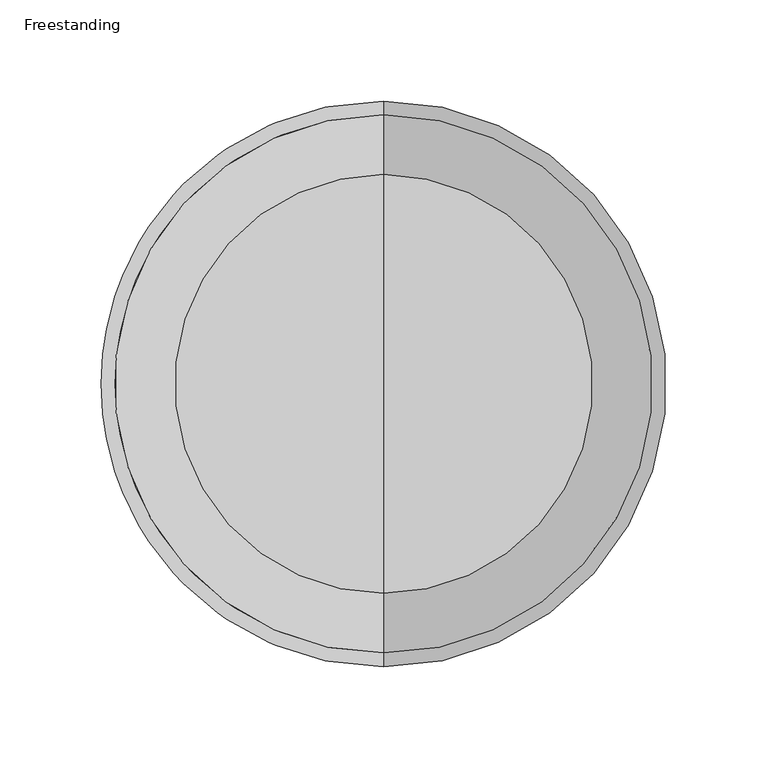
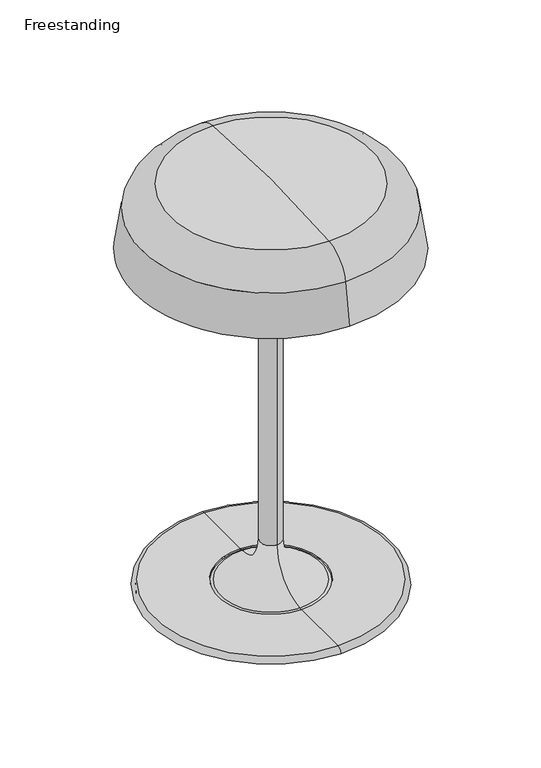
"""IFC4 building model written with IfcOpenShell, lengths in millimetres: light fixture geometry, Freestanding."""

from ifc_helpers import new_model, si_unit, point, frame, frame_2d, origin, place, context, project, spatial, polyline, circle_curve, ellipse_curve, trimmed, segment, composite_curve, outline, extrude, source, transform, mapped, element, save
from ifc_brep_helpers import plane_surface, cylinder_surface, revolved_surface, advanced_brep


def freestanding_16f279d7(model_context):
    return source(origin(), model_context, "Body", "SolidModel", [
        advanced_brep(
        [(0.0, -138.4479531, 1349.9066471), (0.0, 138.4479531, 1349.9066471), (0.0, 0.0, 1347.3349621), (0.0, 0.0, 1349.8749621), (0.0, 138.1818432, 1352.4385137), (0.0, -138.1818432, 1352.4385137)],
        [
            (0, 1, circle_curve(frame((0.0, 0.0, 1349.9066471), z_axis=(0.0, 0.0, -1.0), x_axis=(0.0, 1.0, 0.0)), 138.4479531)),
            (1, 2, circle_curve(frame((0.0, 0.0287325, 5073.7814838), z_axis=(-1.0, 0.0, 0.0), x_axis=(0.0, 1.0, 0.0)), 3726.4465218)),
            (2, 0, circle_curve(frame((0.0, -0.0287325, 5073.7814838), z_axis=(-1.0, 0.0, 0.0), x_axis=(0.0, -1.0, 0.0)), 3726.4465218)),
            (1, 0, circle_curve(frame((0.0, 0.0, 1349.9066471), z_axis=(0.0, 0.0, -1.0), x_axis=(0.0, 1.0, 0.0)), 138.4479531)),
            (3, 4, circle_curve(frame((0.0, 0.0287325, 5073.7814838), z_axis=(1.0, 0.0, 0.0), x_axis=(0.0, 1.0, 0.0)), 3723.9065218)),
            (4, 5, circle_curve(frame((0.0, 0.0, 1352.4385137), z_axis=(0.0, 0.0, 1.0), x_axis=(0.0, 1.0, 0.0)), 138.1818432)),
            (5, 3, circle_curve(frame((0.0, -0.0287325, 5073.7814838), z_axis=(1.0, 0.0, 0.0), x_axis=(0.0, -1.0, 0.0)), 3723.9065218)),
            (5, 4, circle_curve(frame((0.0, 0.0, 1352.4385137), z_axis=(0.0, 0.0, 1.0), x_axis=(0.0, 1.0, 0.0)), 138.1818432)),
            (4, 1),
            (0, 5),
        ],
        [
            revolved_surface(trimmed(ellipse_curve(frame((0.0, 0.0287325, 5073.7814838), z_axis=(1.0, 0.0, 0.0), x_axis=(0.0, 1.0, 0.0)), 3726.4465218, 3726.4465218), [point((0.0, 0.0, 1347.3349621))], [point((0.0, 138.4479531, 1349.9066471))], True, "CARTESIAN"), (0.0, 0.0, 1349.8749621), (0.0, 0.0, 1.0)),
            revolved_surface(trimmed(ellipse_curve(frame((0.0, 0.0287325, 5073.7814838), z_axis=(-1.0, 0.0, 0.0), x_axis=(0.0, 1.0, 0.0)), 3723.9065218, 3723.9065218), [point((0.0, 138.1818432, 1352.4385137))], [point((0.0, 0.0, 1349.8749621))], True, "CARTESIAN"), (0.0, 0.0, 1349.8749621), (0.0, 0.0, 1.0)),
            revolved_surface(polyline([(0.0, 138.4479531, 1349.9066471), (0.0, 138.1818432, 1352.4385137)]), (0.0, 0.0, 1349.8749621), (0.0, 0.0, 1.0)),
        ],
        [
            (0, [[1, 2, 3]]),
            (0, [[4, -3, -2]]),
            (1, [[5, 6, 7]]),
            (1, [[-7, 8, -5]]),
            (2, [[-6, 9, -1, 10]]),
            (2, [[-8, -10, -4, -9]]),
        ],
    ),
        advanced_brep(
        [(0.0, -103.6125058, 1417.6574921), (0.0, 103.6125058, 1417.6574921), (0.0, 133.0952642, 1391.9433422), (0.0, -133.0952642, 1391.9433422), (0.0, 0.0, 1422.3335639), (0.0, -103.4981076, 1416.3926549), (0.0, 103.4981076, 1416.3926549), (0.0, 0.0, 1421.0635639), (0.0, -131.8577133, 1391.6580917), (0.0, 131.8577133, 1391.6580917), (0.0, -138.6463947, 1347.3349621), (0.0, 138.6463947, 1347.3349621), (0.0, -139.9126245, 1347.3349621), (0.0, 139.9126245, 1347.3349621)],
        [
            (0, 1, circle_curve(frame((0.0, 0.0, 1417.6574921), z_axis=(0.0, 0.0, -1.0), x_axis=(0.0, 1.0, 0.0)), 103.6125058)),
            (1, 2, circle_curve(frame((0.0, 100.6095539, 1384.4555164), z_axis=(-1.0, 0.0, 0.0), x_axis=(0.0, 1.0, 0.0)), 33.3375)),
            (2, 3, circle_curve(frame((0.0, 0.0, 1391.9433422), z_axis=(0.0, 0.0, 1.0), x_axis=(0.0, 1.0, 0.0)), 133.0952642)),
            (3, 0, circle_curve(frame((0.0, -100.6095539, 1384.4555164), z_axis=(-1.0, 0.0, 0.0), x_axis=(0.0, -1.0, 0.0)), 33.3375)),
            (1, 0, circle_curve(frame((0.0, 0.0, 1417.6574921), z_axis=(0.0, 0.0, -1.0), x_axis=(0.0, 1.0, 0.0)), 103.6125058)),
            (3, 2, circle_curve(frame((0.0, 0.0, 1391.9433422), z_axis=(0.0, 0.0, 1.0), x_axis=(0.0, 1.0, 0.0)), 133.0952642)),
            (4, 1, circle_curve(frame((0.0, 0.0, 272.0714015), z_axis=(-1.0, 0.0, 0.0), x_axis=(0.0, 1.0, 0.0)), 1150.2621624)),
            (0, 4, circle_curve(frame((0.0, 0.0, 272.0714015), z_axis=(-1.0, 0.0, 0.0), x_axis=(0.0, -1.0, 0.0)), 1150.2621624)),
            (5, 6, circle_curve(frame((0.0, 0.0, 1416.3926549), z_axis=(0.0, 0.0, -1.0), x_axis=(0.0, 1.0, 0.0)), 103.4981076)),
            (6, 7, circle_curve(frame((0.0, 0.0, 272.0714015), z_axis=(1.0, 0.0, 0.0), x_axis=(0.0, 1.0, 0.0)), 1148.9921624)),
            (7, 5, circle_curve(frame((0.0, 0.0, 272.0714015), z_axis=(1.0, 0.0, 0.0), x_axis=(0.0, -1.0, 0.0)), 1148.9921624)),
            (6, 5, circle_curve(frame((0.0, 0.0, 1416.3926549), z_axis=(0.0, 0.0, -1.0), x_axis=(0.0, 1.0, 0.0)), 103.4981076)),
            (8, 9, circle_curve(frame((0.0, 0.0, 1391.6580917), z_axis=(0.0, 0.0, -1.0), x_axis=(0.0, 1.0, 0.0)), 131.8577133)),
            (9, 6, circle_curve(frame((0.0, 100.6095539, 1384.4555164), z_axis=(1.0, 0.0, 0.0), x_axis=(0.0, 1.0, 0.0)), 32.0675)),
            (5, 8, circle_curve(frame((0.0, -100.6095539, 1384.4555164), z_axis=(1.0, 0.0, 0.0), x_axis=(0.0, -1.0, 0.0)), 32.0675)),
            (9, 8, circle_curve(frame((0.0, 0.0, 1391.6580917), z_axis=(0.0, 0.0, -1.0), x_axis=(0.0, 1.0, 0.0)), 131.8577133)),
            (10, 11, circle_curve(frame((0.0, 0.0, 1347.3349621), z_axis=(0.0, 0.0, -1.0), x_axis=(0.0, 1.0, 0.0)), 138.6463947)),
            (11, 9, circle_curve(frame((0.0, -161.4398073, 1324.0541915), z_axis=(1.0, 0.0, 0.0), x_axis=(0.0, 1.0, 0.0)), 300.9879116)),
            (8, 10, circle_curve(frame((0.0, 161.4398073, 1324.0541915), z_axis=(1.0, 0.0, 0.0), x_axis=(0.0, -1.0, 0.0)), 300.9879116)),
            (11, 10, circle_curve(frame((0.0, 0.0, 1347.3349621), z_axis=(0.0, 0.0, -1.0), x_axis=(0.0, 1.0, 0.0)), 138.6463947)),
            (12, 13, circle_curve(frame((0.0, 0.0, 1347.3349621), z_axis=(0.0, 0.0, -1.0), x_axis=(0.0, 1.0, 0.0)), 139.9126245)),
            (13, 11),
            (10, 12),
            (13, 12, circle_curve(frame((0.0, 0.0, 1347.3349621), z_axis=(0.0, 0.0, -1.0), x_axis=(0.0, 1.0, 0.0)), 139.9126245)),
            (2, 13, circle_curve(frame((0.0, -161.4398073, 1324.0541915), z_axis=(-1.0, 0.0, 0.0), x_axis=(0.0, 1.0, 0.0)), 302.2579116)),
            (12, 3, circle_curve(frame((0.0, 161.4398073, 1324.0541915), z_axis=(-1.0, 0.0, 0.0), x_axis=(0.0, -1.0, 0.0)), 302.2579116)),
        ],
        [
            revolved_surface(trimmed(ellipse_curve(frame((0.0, 100.6095539, 1384.4555164), z_axis=(1.0, 0.0, 0.0), x_axis=(0.0, 1.0, 0.0)), 33.3375, 33.3375), [point((0.0, 133.0952642, 1391.9433422))], [point((0.0, 103.6125058, 1417.6574921))], True, "CARTESIAN"), (0.0, 0.0, 1421.0635639), (0.0, 0.0, 1.0)),
            revolved_surface(trimmed(ellipse_curve(frame((0.0, 0.0, 272.0714015), z_axis=(1.0, 0.0, 0.0), x_axis=(0.0, 1.0, 0.0)), 1150.2621624, 1150.2621624), [point((0.0, 103.6125058, 1417.6574921))], [point((0.0, 0.0, 1422.3335639))], True, "CARTESIAN"), (0.0, 0.0, 1421.0635639), (0.0, 0.0, 1.0)),
            revolved_surface(trimmed(ellipse_curve(frame((0.0, 0.0, 272.0714015), z_axis=(-1.0, 0.0, 0.0), x_axis=(0.0, 1.0, 0.0)), 1148.9921624, 1148.9921624), [point((0.0, 0.0, 1421.0635639))], [point((0.0, 103.4981076, 1416.3926549))], True, "CARTESIAN"), (0.0, 0.0, 1421.0635639), (0.0, 0.0, 1.0)),
            revolved_surface(trimmed(ellipse_curve(frame((0.0, 100.6095539, 1384.4555164), z_axis=(-1.0, 0.0, 0.0), x_axis=(0.0, 1.0, 0.0)), 32.0675, 32.0675), [point((0.0, 103.4981076, 1416.3926549))], [point((0.0, 131.8577133, 1391.6580917))], True, "CARTESIAN"), (0.0, 0.0, 1421.0635639), (0.0, 0.0, 1.0)),
            revolved_surface(trimmed(ellipse_curve(frame((0.0, -161.4398073, 1324.0541915), z_axis=(-1.0, 0.0, 0.0), x_axis=(0.0, 1.0, 0.0)), 300.9879116, 300.9879116), [point((0.0, 131.8577133, 1391.6580917))], [point((0.0, 138.6463947, 1347.3349621))], True, "CARTESIAN"), (0.0, 0.0, 1421.0635639), (0.0, 0.0, 1.0)),
            plane_surface(frame((0.0, 0.0, 1347.3349621), z_axis=(0.0, 0.0, -1.0), x_axis=(0.0, 1.0, 0.0))),
            revolved_surface(trimmed(ellipse_curve(frame((0.0, -161.4398073, 1324.0541915), z_axis=(1.0, 0.0, 0.0), x_axis=(0.0, 1.0, 0.0)), 302.2579116, 302.2579116), [point((0.0, 139.91259, 1347.4331939))], [point((0.0, 133.0952642, 1391.9433422))], True, "CARTESIAN"), (0.0, 0.0, 1421.0635639), (0.0, 0.0, 1.0)),
        ],
        [
            (0, [[1, 2, 3, 4]]),
            (0, [[5, -4, 6, -2]]),
            (1, [[7, -1, 8]]),
            (1, [[-8, -5, -7]]),
            (2, [[9, 10, 11]]),
            (2, [[12, -11, -10]]),
            (3, [[13, 14, -9, 15]]),
            (3, [[16, -15, -12, -14]]),
            (4, [[17, 18, -13, 19]]),
            (4, [[20, -19, -16, -18]]),
            (5, [[21, 22, -17, 23]]),
            (5, [[24, -23, -20, -22]]),
            (6, [[-3, 25, -21, 26]]),
            (6, [[-6, -26, -24, -25]]),
        ],
    ),
        advanced_brep(
        [(0.0, -54.6099979, 981.1220829), (0.0, 54.6099979, 981.1220829), (0.0, 54.6099979, 987.9329995), (0.0, -54.6099979, 987.9329995), (0.0, -121.1537842, 981.1220829), (0.0, 121.1537842, 981.1220829), (0.0, 119.38, 987.9329995), (0.0, -119.38, 987.9329995), (0.0, -121.1537842, 982.6460829), (0.0, 121.1537842, 982.6460829), (0.0, -124.4557842, 982.6460829), (0.0, 124.4557842, 982.6460829)],
        [
            (0, 1, circle_curve(frame((0.0, 0.0, 981.1220829), z_axis=(0.0, 0.0, -1.0), x_axis=(0.0, 1.0, 0.0)), 54.6099979)),
            (1, 2),
            (2, 3, circle_curve(frame((0.0, 0.0, 987.9329995), z_axis=(0.0, 0.0, 1.0), x_axis=(0.0, 1.0, 0.0)), 54.6099979)),
            (3, 0),
            (1, 0, circle_curve(frame((0.0, 0.0, 981.1220829), z_axis=(0.0, 0.0, -1.0), x_axis=(0.0, 1.0, 0.0)), 54.6099979)),
            (3, 2, circle_curve(frame((0.0, 0.0, 987.9329995), z_axis=(0.0, 0.0, 1.0), x_axis=(0.0, 1.0, 0.0)), 54.6099979)),
            (4, 5, circle_curve(frame((0.0, 0.0, 981.1220829), z_axis=(0.0, 0.0, -1.0), x_axis=(0.0, 1.0, 0.0)), 121.1537842)),
            (5, 1),
            (0, 4),
            (5, 4, circle_curve(frame((0.0, 0.0, 981.1220829), z_axis=(0.0, 0.0, -1.0), x_axis=(0.0, 1.0, 0.0)), 121.1537842)),
            (2, 6),
            (6, 7, circle_curve(frame((0.0, 0.0, 987.9329995), z_axis=(0.0, 0.0, 1.0), x_axis=(0.0, 1.0, 0.0)), 119.38)),
            (7, 3),
            (7, 6, circle_curve(frame((0.0, 0.0, 987.9329995), z_axis=(0.0, 0.0, 1.0), x_axis=(0.0, 1.0, 0.0)), 119.38)),
            (8, 9, circle_curve(frame((0.0, 0.0, 982.6460829), z_axis=(0.0, 0.0, -1.0), x_axis=(0.0, 1.0, 0.0)), 121.1537842)),
            (9, 5),
            (4, 8),
            (9, 8, circle_curve(frame((0.0, 0.0, 982.6460829), z_axis=(0.0, 0.0, -1.0), x_axis=(0.0, 1.0, 0.0)), 121.1537842)),
            (10, 11, circle_curve(frame((0.0, 0.0, 982.6460829), z_axis=(0.0, 0.0, -1.0), x_axis=(0.0, 1.0, 0.0)), 124.4557842)),
            (11, 9),
            (8, 10),
            (11, 10, circle_curve(frame((0.0, 0.0, 982.6460829), z_axis=(0.0, 0.0, -1.0), x_axis=(0.0, 1.0, 0.0)), 124.4557842)),
            (6, 11, circle_curve(frame((0.0, 119.38, 982.8529995), z_axis=(-1.0, 0.0, 0.0), x_axis=(0.0, 1.0, 0.0)), 5.08)),
            (10, 7, circle_curve(frame((0.0, -119.38, 982.8529995), z_axis=(-1.0, 0.0, 0.0), x_axis=(0.0, -1.0, 0.0)), 5.08)),
        ],
        [
            revolved_surface(polyline([(0.0, 54.6099979, 987.9329995), (0.0, 54.6099979, 981.1220829)]), (0.0, 0.0, 981.0750001), (0.0, 0.0, 1.0)),
            plane_surface(frame((0.0, 0.0, 981.1220829), z_axis=(0.0, 0.0, -1.0), x_axis=(0.0, 1.0, 0.0))),
            plane_surface(frame((0.0, 0.0, 987.9329995), z_axis=(0.0, 0.0, 1.0), x_axis=(0.0, 1.0, 0.0))),
            cylinder_surface(frame((0.0, 0.0, 981.0750001), z_axis=(0.0, 0.0, 1.0), x_axis=(0.0, 1.0, 0.0)), 121.1537842),
            plane_surface(frame((0.0, 0.0, 982.6460829), z_axis=(0.0, 0.0, -1.0), x_axis=(0.0, 1.0, 0.0))),
            revolved_surface(trimmed(ellipse_curve(frame((0.0, 119.38, 982.8529995), z_axis=(1.0, 0.0, 0.0), x_axis=(0.0, 1.0, 0.0)), 5.08, 5.08), [point((0.0, 124.4557842, 982.6460829))], [point((0.0, 119.38, 987.9329995))], True, "CARTESIAN"), (0.0, 0.0, 981.0750001), (0.0, 0.0, 1.0)),
        ],
        [
            (0, [[1, 2, 3, 4]]),
            (0, [[5, -4, 6, -2]]),
            (1, [[7, 8, -1, 9]]),
            (1, [[10, -9, -5, -8]]),
            (2, [[-3, 11, 12, 13]]),
            (2, [[-6, -13, 14, -11]]),
            (3, [[15, 16, -7, 17]]),
            (3, [[18, -17, -10, -16]]),
            (4, [[19, 20, -15, 21]]),
            (4, [[22, -21, -18, -20]]),
            (5, [[-12, 23, -19, 24]]),
            (5, [[-14, -24, -22, -23]]),
        ],
    ),
        advanced_brep(
        [(0.0, -54.6099979, 984.8822538), (0.0, 54.6099979, 984.8822538), (0.0, 54.6099979, 981.1260042), (0.0, -54.6099979, 981.1260042), (0.0, -51.6661089, 988.0488313), (0.0, 51.6661089, 988.0488313), (0.0, -10.922, 1031.875), (0.0, 10.922, 1031.875), (0.0, -10.922, 1343.1151799), (0.0, 10.922, 1343.1151799), (0.0, -26.0350002, 1344.6995347), (0.0, 26.0350002, 1344.6995347), (0.0, 12.7000006, 1343.1151799), (0.0, -12.7000006, 1343.1151799), (0.0, -26.0350002, 1347.4331939), (0.0, 26.0350002, 1347.4331939), (0.0, 0.0, 1347.4331939), (0.0, 0.0, 981.1260042)],
        [
            (0, 1, circle_curve(frame((0.0, 0.0, 984.8822538), z_axis=(0.0, 0.0, -1.0), x_axis=(0.0, 1.0, 0.0)), 54.6099979)),
            (1, 2),
            (2, 3, circle_curve(frame((0.0, 0.0, 981.1260042), z_axis=(0.0, 0.0, 1.0), x_axis=(0.0, 1.0, 0.0)), 54.6099979)),
            (3, 0),
            (1, 0, circle_curve(frame((0.0, 0.0, 984.8822538), z_axis=(0.0, 0.0, -1.0), x_axis=(0.0, 1.0, 0.0)), 54.6099979)),
            (3, 2, circle_curve(frame((0.0, 0.0, 981.1260042), z_axis=(0.0, 0.0, 1.0), x_axis=(0.0, 1.0, 0.0)), 54.6099979)),
            (4, 5, circle_curve(frame((0.0, 0.0, 988.0488313), z_axis=(0.0, 0.0, -1.0), x_axis=(0.0, 1.0, 0.0)), 51.6661089)),
            (5, 1, circle_curve(frame((0.0, 51.4349979, 984.8822538), z_axis=(-1.0, 0.0, 0.0), x_axis=(0.0, 1.0, 0.0)), 3.175)),
            (0, 4, circle_curve(frame((0.0, -51.4349979, 984.8822538), z_axis=(-1.0, 0.0, 0.0), x_axis=(0.0, -1.0, 0.0)), 3.175)),
            (5, 4, circle_curve(frame((0.0, 0.0, 988.0488313), z_axis=(0.0, 0.0, -1.0), x_axis=(0.0, 1.0, 0.0)), 51.6661089)),
            (6, 7, circle_curve(frame((0.0, 0.0, 1031.875), z_axis=(0.0, 0.0, -1.0), x_axis=(0.0, 1.0, 0.0)), 10.922)),
            (7, 5, circle_curve(frame((0.0, 54.8647389, 1031.875), z_axis=(1.0, 0.0, 0.0), x_axis=(0.0, 1.0, 0.0)), 43.9427389)),
            (4, 6, circle_curve(frame((0.0, -54.8647389, 1031.875), z_axis=(1.0, 0.0, 0.0), x_axis=(0.0, -1.0, 0.0)), 43.9427389)),
            (7, 6, circle_curve(frame((0.0, 0.0, 1031.875), z_axis=(0.0, 0.0, -1.0), x_axis=(0.0, 1.0, 0.0)), 10.922)),
            (8, 9, circle_curve(frame((0.0, 0.0, 1343.1151799), z_axis=(0.0, 0.0, -1.0), x_axis=(0.0, 1.0, 0.0)), 10.922)),
            (9, 7),
            (6, 8),
            (9, 8, circle_curve(frame((0.0, 0.0, 1343.1151799), z_axis=(0.0, 0.0, -1.0), x_axis=(0.0, 1.0, 0.0)), 10.922)),
            (10, 11, circle_curve(frame((0.0, 0.0, 1344.6995347), z_axis=(0.0, 0.0, -1.0), x_axis=(0.0, 1.0, 0.0)), 26.0350002)),
            (11, 12),
            (12, 13, circle_curve(frame((0.0, 0.0, 1343.1151799), z_axis=(0.0, 0.0, 1.0), x_axis=(0.0, 1.0, 0.0)), 12.7000006)),
            (13, 10),
            (11, 10, circle_curve(frame((0.0, 0.0, 1344.6995347), z_axis=(0.0, 0.0, -1.0), x_axis=(0.0, 1.0, 0.0)), 26.0350002)),
            (13, 12, circle_curve(frame((0.0, 0.0, 1343.1151799), z_axis=(0.0, 0.0, 1.0), x_axis=(0.0, 1.0, 0.0)), 12.7000006)),
            (14, 15, circle_curve(frame((0.0, 0.0, 1347.4331939), z_axis=(0.0, 0.0, -1.0), x_axis=(0.0, 1.0, 0.0)), 26.0350002)),
            (15, 11),
            (10, 14),
            (15, 14, circle_curve(frame((0.0, 0.0, 1347.4331939), z_axis=(0.0, 0.0, -1.0), x_axis=(0.0, 1.0, 0.0)), 26.0350002)),
            (16, 15),
            (14, 16),
            (2, 17),
            (17, 3),
            (12, 9),
            (8, 13),
        ],
        [
            cylinder_surface(frame((0.0, 0.0, 981.0750001), z_axis=(0.0, 0.0, 1.0), x_axis=(0.0, 1.0, 0.0)), 54.6099979),
            revolved_surface(trimmed(ellipse_curve(frame((0.0, 51.4349979, 984.8822538), z_axis=(1.0, 0.0, 0.0), x_axis=(0.0, 1.0, 0.0)), 3.175, 3.175), [point((0.0, 54.6099979, 984.8822538))], [point((0.0, 51.6661089, 988.0488313))], True, "CARTESIAN"), (0.0, 0.0, 981.0750001), (0.0, 0.0, 1.0)),
            revolved_surface(trimmed(ellipse_curve(frame((0.0, 54.8647389, 1031.875), z_axis=(-1.0, 0.0, 0.0), x_axis=(0.0, 1.0, 0.0)), 43.9427389, 43.9427389), [point((0.0, 51.6661089, 988.0488313))], [point((0.0, 10.922, 1031.875))], True, "CARTESIAN"), (0.0, 0.0, 981.0750001), (0.0, 0.0, 1.0)),
            cylinder_surface(frame((0.0, 0.0, 981.0750001), z_axis=(0.0, 0.0, 1.0), x_axis=(0.0, 1.0, 0.0)), 10.922),
            revolved_surface(polyline([(0.0, 12.7000006, 1343.1151799), (0.0, 26.0350002, 1344.6995347)]), (0.0, 0.0, 981.0750001), (0.0, 0.0, 1.0)),
            cylinder_surface(frame((0.0, 0.0, 981.0750001), z_axis=(0.0, 0.0, 1.0), x_axis=(0.0, 1.0, 0.0)), 26.0350002),
            plane_surface(frame((0.0, 0.0, 1347.4331939), z_axis=(0.0, 0.0, 1.0), x_axis=(0.0, 1.0, 0.0))),
            plane_surface(frame((0.0, 0.0, 981.1260042), z_axis=(0.0, 0.0, -1.0), x_axis=(0.0, 1.0, 0.0))),
            plane_surface(frame((0.0, 0.0, 1343.1151799), z_axis=(0.0, 0.0, -1.0), x_axis=(0.0, 1.0, 0.0))),
        ],
        [
            (0, [[1, 2, 3, 4]]),
            (0, [[5, -4, 6, -2]]),
            (1, [[7, 8, -1, 9]]),
            (1, [[10, -9, -5, -8]]),
            (2, [[11, 12, -7, 13]]),
            (2, [[14, -13, -10, -12]]),
            (3, [[15, 16, -11, 17]]),
            (3, [[18, -17, -14, -16]]),
            (4, [[19, 20, 21, 22]]),
            (4, [[23, -22, 24, -20]]),
            (5, [[25, 26, -19, 27]]),
            (5, [[28, -27, -23, -26]]),
            (6, [[29, -25, 30]]),
            (6, [[-30, -28, -29]]),
            (7, [[-3, 31, 32]]),
            (7, [[-6, -32, -31]]),
            (8, [[-21, 33, -15, 34]]),
            (8, [[-24, -34, -18, -33]]),
        ],
    ),
        extrude(outline(composite_curve([segment(trimmed(circle_curve(frame_2d((-104.4555371, 0.0)), 10.9072285), [point((-93.5483086, 0.0))], [point((-115.3627656, 0.0))], False, "CARTESIAN"), True, "CONTINUOUS"), segment(trimmed(circle_curve(frame_2d((-104.4555371, 0.0)), 10.9072285), [point((-115.3627656, 0.0))], [point((-93.5483086, 0.0))], False, "CARTESIAN"), True, "CONTINUOUS")], self_intersect=False)), frame((0.0, 0.0, 977.9), z_axis=(0.0, 0.0, 1.0), x_axis=(1.0, 0.0, 0.0)), (0.0, 0.0, 1.0), 3.2220829),
        extrude(outline(composite_curve([segment(trimmed(circle_curve(frame_2d((-0.0763069, 104.3792302)), 10.9220098), [point((10.8457029, 104.3792302))], [point((-10.9983167, 104.3792302))], False, "CARTESIAN"), True, "CONTINUOUS"), segment(trimmed(circle_curve(frame_2d((-0.0763069, 104.3792302)), 10.9220098), [point((-10.9983167, 104.3792302))], [point((10.8457029, 104.3792302))], False, "CARTESIAN"), True, "CONTINUOUS")], self_intersect=False)), frame((0.0, 0.0, 977.9), z_axis=(0.0, 0.0, 1.0), x_axis=(1.0, 0.0, 0.0)), (0.0, 0.0, 1.0), 3.2220829),
        extrude(outline(composite_curve([segment(trimmed(circle_curve(frame_2d((104.3029233, 0.0)), 10.9220098), [point((115.2249331, 0.0))], [point((93.3809135, 0.0))], False, "CARTESIAN"), True, "CONTINUOUS"), segment(trimmed(circle_curve(frame_2d((104.3029233, 0.0)), 10.9220098), [point((93.3809135, 0.0))], [point((115.2249331, 0.0))], False, "CARTESIAN"), True, "CONTINUOUS")], self_intersect=False)), frame((0.0, 0.0, 977.9), z_axis=(0.0, 0.0, 1.0), x_axis=(1.0, 0.0, 0.0)), (0.0, 0.0, 1.0), 3.2220829),
        extrude(outline(composite_curve([segment(trimmed(circle_curve(frame_2d((-0.0763069, -104.3792302)), 10.9092151), [point((10.8329082, -104.3792302))], [point((-10.985522, -104.3792302))], False, "CARTESIAN"), True, "CONTINUOUS"), segment(trimmed(circle_curve(frame_2d((-0.0763069, -104.3792302)), 10.9092151), [point((-10.985522, -104.3792302))], [point((10.8329082, -104.3792302))], False, "CARTESIAN"), True, "CONTINUOUS")], self_intersect=False)), frame((0.0, 0.0, 977.9), z_axis=(0.0, 0.0, 1.0), x_axis=(1.0, 0.0, 0.0)), (0.0, 0.0, 1.0), 3.2220829),
    ])


if __name__ == "__main__":
    model = new_model("IFC4")
    model_context = context("Model", 3, world=origin())
    ifc_project = project(units=[si_unit("LENGTHUNIT", "METRE", prefix="MILLI")], contexts=[model_context])
    site = spatial("IfcSite", under=ifc_project)
    building = spatial("IfcBuilding", under=site)
    placement = place(None, origin())
    freestanding_shape = freestanding_16f279d7(model_context)
    element("IfcLightFixture", 1, ObjectType="Freestanding", at=placement, inside=building, context=model_context, shape_type="MappedRepresentation", body=[
        mapped(freestanding_shape, transform((0.0, 0.0, 0.0), x_axis=(1.0, 0.0, 0.0), y_axis=(0.0, 1.0, 0.0), z_axis=(0.0, 0.0, 1.0))),
    ])
    save(model, "model.ifc")
